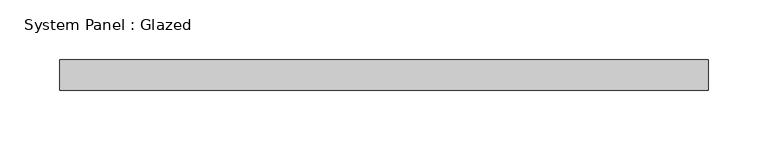
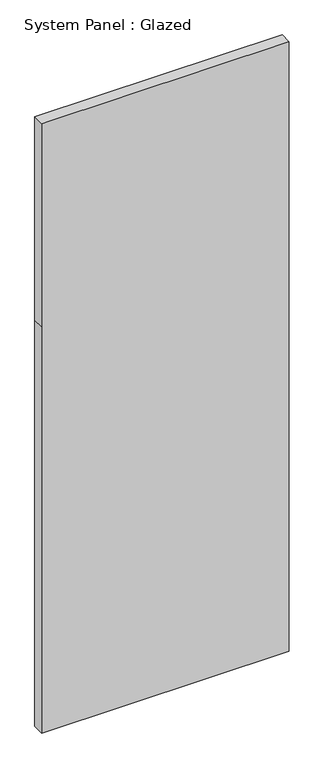
"""IFC4 building model written with IfcOpenShell, lengths in millimetres: plate geometry, System Panel : Glazed."""

from ifc_helpers import new_model, si_unit, frame, origin, place, context, project, spatial, polyline, outline, extrude, source, transform, mapped, element, save


def system_panel_glazed_35db52da(model_context):
    return source(origin(), model_context, "Body", "SweptSolid", [
        extrude(outline(polyline([(0.0, -270.1407385), (0.0, 270.1407385), (936.5, 270.1407385), (1404.75, 270.1407385), (1404.75, -270.1407385), (936.5, -270.1407385), (0.0, -270.1407385)])), frame((0.0, 19.05, 0.0), z_axis=(0.0, 1.0, 0.0), x_axis=(0.0, 0.0, 1.0)), (0.0, 0.0, 1.0), 25.4),
    ])


if __name__ == "__main__":
    model = new_model("IFC4")
    model_context = context("Model", 3, world=origin())
    ifc_project = project(units=[si_unit("LENGTHUNIT", "METRE", prefix="MILLI")], contexts=[model_context])
    site = spatial("IfcSite", under=ifc_project)
    building = spatial("IfcBuilding", under=site)
    placement = place(None, origin())
    system_panel_glazed_shape = system_panel_glazed_35db52da(model_context)
    element("IfcPlate", 1, ObjectType="System Panel : Glazed", at=placement, inside=building, context=model_context, shape_type="MappedRepresentation", body=[
        mapped(system_panel_glazed_shape, transform((0.0, 0.0, 0.0), x_axis=(1.0, 0.0, 0.0), y_axis=(0.0, 1.0, 0.0), z_axis=(0.0, 0.0, 1.0))),
    ])
    save(model, "model.ifc")
